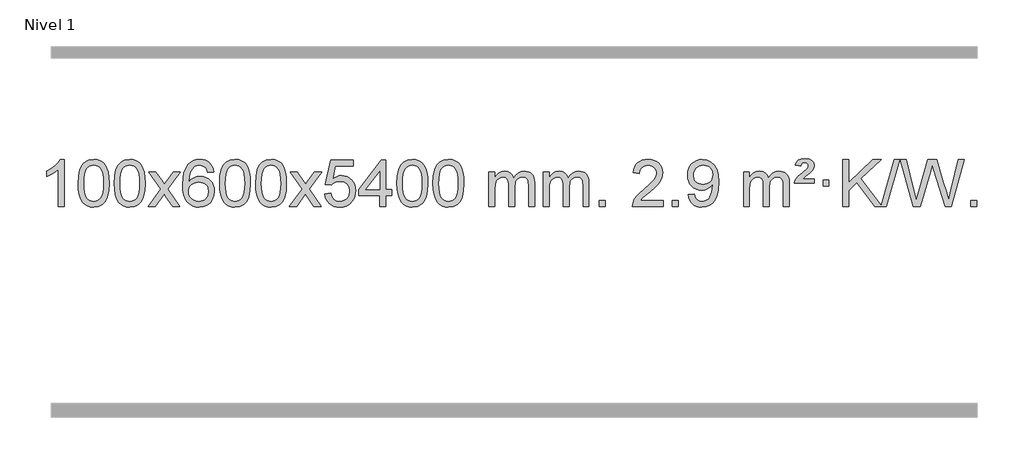
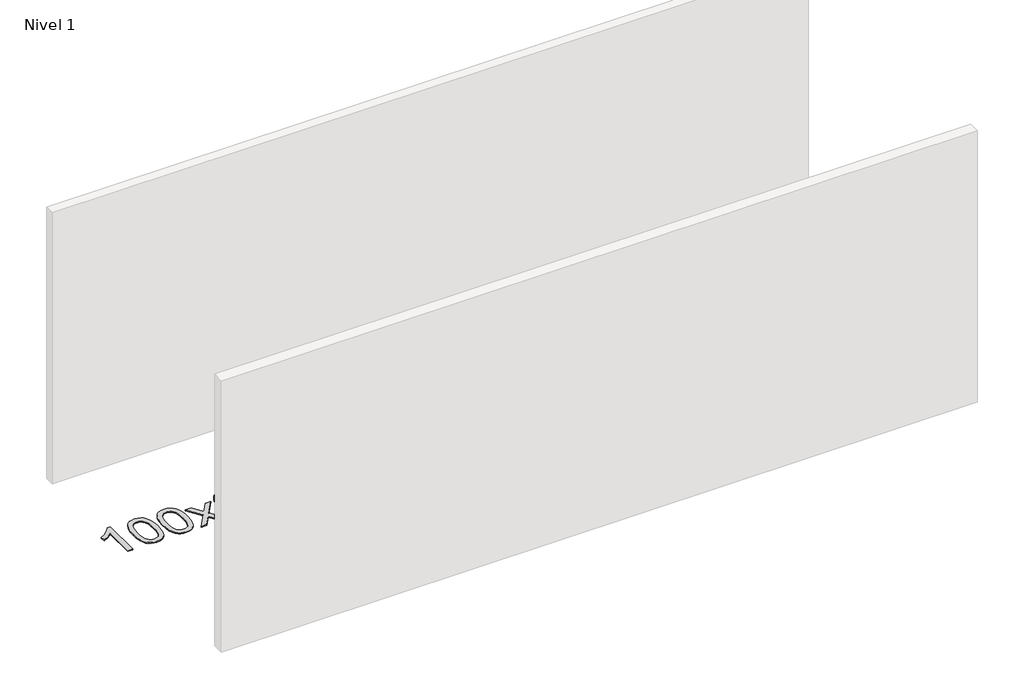
# One storey, part 4 of 16: 1 proxy.
"""IFC4 building model written with IfcOpenShell, lengths in millimetres."""

from ifc_helpers import new_model, si_unit, origin, origin_with_axes, place, context, project, spatial, polyline, outline, extrude, element, save

model = new_model("IFC4")

# Units and contexts
model_context = context("Model", 3, world=origin())
ifc_project = project(units=[si_unit("LENGTHUNIT", "METRE", prefix="MILLI")], contexts=[model_context])

# Site, building, storey
site = spatial("IfcSite", under=ifc_project)
building = spatial("IfcBuilding", under=site)
storey = spatial("IfcBuildingStorey", under=building, Name="Nivel 1", Elevation=0.0)

# Proxy
placement = place(None, origin())
element("IfcBuildingElementProxy", 1, Name="Texto de modelo 1", ObjectType="Texto de modelo 1", at=placement, inside=storey, context=model_context, shape_type="SweptSolid", body=[
    extrude(outline(polyline([(-12921.6378538, -9420.579453), (-12971.8660089, -9420.579453), (-12971.8660089, -9107.4382987), (-12992.8352826, -9124.3976587), (-13019.4454136, -9141.3324932), (-13072.3223191, -9166.6918254), (-13072.3223191, -9119.2105225), (-13032.8731065, -9097.7507395), (-12998.6968691, -9072.219729), (-12971.7556443, -9045.0700378), (-12954.0114694, -9018.7542124), (-12921.6378538, -9018.7542124), (-12921.6378538, -9420.579453)])), origin_with_axes(), (0.0, 0.0, 1.0), 10.0),
    extrude(outline(polyline([(-12802.3459855, -9222.9041943), (-12798.6549029, -9158.5861588), (-12787.5816548, -9107.2911459), (-12769.236606, -9068.2343407), (-12757.378543, -9053.0009605), (-12743.730121, -9040.6309284), (-12728.2453547, -9031.0598651), (-12710.8782588, -9024.2233914), (-12670.4970785, -9018.7542124), (-12639.5459399, -9021.991574), (-12611.832163, -9031.7036586), (-12588.6555973, -9047.5103217), (-12571.3160926, -9069.0314184), (-12558.2194935, -9096.0830078), (-12547.7716449, -9128.4811488), (-12540.9290398, -9169.6226186), (-12538.6481714, -9222.9041943), (-12542.3024659, -9286.8543477), (-12553.2653493, -9338.0267333), (-12571.5000336, -9377.1203266), (-12583.3305054, -9392.3996922), (-12596.9697304, -9404.8341036), (-12612.4728908, -9414.4695462), (-12629.8951689, -9421.3520052), (-12670.4970785, -9426.8579724), (-12698.1618045, -9424.4667394), (-12722.6872709, -9417.2930405), (-12744.0734775, -9405.3368757), (-12762.3204245, -9388.5982449), (-12779.8316074, -9358.3399508), (-12792.3395953, -9320.6381776), (-12799.844388, -9275.4929255), (-12802.3459855, -9222.9041943)]), holes=[polyline([(-12752.1178305, -9222.8060924), (-12750.6463025, -9266.4706195), (-12746.2317185, -9301.8148822), (-12738.8740786, -9328.8388804), (-12728.5733828, -9347.5426142), (-12716.1144459, -9360.2682656), (-12702.2820829, -9369.3580165), (-12687.0762937, -9374.8118671), (-12670.4970785, -9376.6298173), (-12653.9178632, -9374.8057357), (-12638.7120741, -9369.3334911), (-12624.8797111, -9360.2130833), (-12612.4207742, -9347.4445124), (-12602.1200783, -9328.7101217), (-12594.7624384, -9301.6922549), (-12590.3478545, -9266.3909118), (-12588.8763265, -9222.8060924), (-12590.2988035, -9180.2973278), (-12594.5662347, -9145.5753989), (-12601.6786199, -9118.6403055), (-12611.6359592, -9099.4920476), (-12623.8864297, -9086.1440625), (-12637.8782082, -9076.6097875), (-12653.6112949, -9070.8892225), (-12671.0856897, -9068.9823675), (-12687.5790658, -9070.6623619), (-12702.5273375, -9075.7023452), (-12715.9305049, -9084.1023175), (-12727.7885679, -9095.8622786), (-12738.4326203, -9116.708925), (-12746.0355148, -9144.8151094), (-12750.5972516, -9180.1808319), (-12752.1178305, -9222.8060924)])]), origin_with_axes(), (0.0, 0.0, 1.0), 10.0),
    extrude(outline(polyline([(-12494.6985357, -9222.9041943), (-12491.007453, -9158.5861588), (-12479.934205, -9107.2911459), (-12461.5891561, -9068.2343407), (-12449.7310932, -9053.0009605), (-12436.0826711, -9040.6309284), (-12420.5979048, -9031.0598651), (-12403.230809, -9024.2233914), (-12362.8496286, -9018.7542124), (-12331.8984901, -9021.991574), (-12304.1847131, -9031.7036586), (-12281.0081474, -9047.5103217), (-12263.6686427, -9069.0314184), (-12250.5720437, -9096.0830078), (-12240.1241951, -9128.4811488), (-12233.2815899, -9169.6226186), (-12231.0007216, -9222.9041943), (-12234.6550161, -9286.8543477), (-12245.6178995, -9338.0267333), (-12263.8525837, -9377.1203266), (-12275.6830556, -9392.3996922), (-12289.3222805, -9404.8341036), (-12304.825441, -9414.4695462), (-12322.2477191, -9421.3520052), (-12362.8496286, -9426.8579724), (-12390.5143547, -9424.4667394), (-12415.039821, -9417.2930405), (-12436.4260277, -9405.3368757), (-12454.6729746, -9388.5982449), (-12472.1841576, -9358.3399508), (-12484.6921454, -9320.6381776), (-12492.1969381, -9275.4929255), (-12494.6985357, -9222.9041943)]), holes=[polyline([(-12444.4703806, -9222.8060924), (-12442.9988527, -9266.4706195), (-12438.5842687, -9301.8148822), (-12431.2266288, -9328.8388804), (-12420.9259329, -9347.5426142), (-12408.466996, -9360.2682656), (-12394.634633, -9369.3580165), (-12379.4288439, -9374.8118671), (-12362.8496286, -9376.6298173), (-12346.2704134, -9374.8057357), (-12331.0646243, -9369.3334911), (-12317.2322612, -9360.2130833), (-12304.7733243, -9347.4445124), (-12294.4726285, -9328.7101217), (-12287.1149886, -9301.6922549), (-12282.7004046, -9266.3909118), (-12281.2288766, -9222.8060924), (-12282.6513537, -9180.2973278), (-12286.9187848, -9145.5753989), (-12294.0311701, -9118.6403055), (-12303.9885094, -9099.4920476), (-12316.2389799, -9086.1440625), (-12330.2307584, -9076.6097875), (-12345.9638451, -9070.8892225), (-12363.4382398, -9068.9823675), (-12379.931616, -9070.6623619), (-12394.8798877, -9075.7023452), (-12408.283055, -9084.1023175), (-12420.141118, -9095.8622786), (-12430.7851704, -9116.708925), (-12438.388065, -9144.8151094), (-12442.9498017, -9180.1808319), (-12444.4703806, -9222.8060924)])]), origin_with_axes(), (0.0, 0.0, 1.0), 10.0),
    extrude(outline(polyline([(-12205.886644, -9420.579453), (-12098.5632033, -9272.2494325), (-12199.6081246, -9125.4890419), (-12139.1773756, -9125.4890419), (-12090.4207485, -9196.122385), (-12067.6611157, -9229.4770192), (-12047.9426408, -9202.2047007), (-11992.416985, -9125.4890419), (-11931.9862359, -9125.4890419), (-12038.1324542, -9272.2494325), (-11935.9103105, -9420.579453), (-11996.3410596, -9420.579453), (-12057.8509292, -9331.4048574), (-12069.1326437, -9315.1199477), (-12145.455895, -9420.579453), (-12205.886644, -9420.579453)])), origin_with_axes(), (0.0, 0.0, 1.0), 10.0),
    extrude(outline(polyline([(-11647.0984188, -9125.4890419), (-11697.3265739, -9131.7675613), (-11705.4199778, -9106.874213), (-11716.3583358, -9089.8780648), (-11739.142494, -9074.2062918), (-11766.6845927, -9068.9823675), (-11790.0328367, -9072.0235253), (-11812.0076545, -9081.1469988), (-11830.8800009, -9100.3627017), (-11846.2942565, -9126.8134171), (-11856.7053169, -9164.227016), (-11860.5680779, -9216.3313693), (-11840.4204073, -9192.8237098), (-11816.2750857, -9176.2567573), (-11789.4810137, -9166.434308), (-11761.387092, -9163.1601582), (-11737.2540331, -9165.398107), (-11714.9849097, -9172.1119534), (-11694.5797217, -9183.3016975), (-11676.0384691, -9198.9673391), (-11660.6303449, -9218.1769106), (-11649.6245419, -9239.9984443), (-11643.02106, -9264.4319401), (-11640.8198994, -9291.4773982), (-11644.9647033, -9327.4439945), (-11657.3991147, -9360.786366), (-11677.0930642, -9389.0642287), (-11703.0164821, -9409.8372987), (-11733.9921461, -9422.602804), (-11768.8428338, -9426.8579724), (-11798.7853625, -9424.0375437), (-11825.8277548, -9415.5762579), (-11849.9700107, -9401.4741147), (-11871.2121303, -9381.7311143), (-11888.5301752, -9355.5133908), (-11900.9002073, -9321.9870783), (-11908.3222266, -9281.1521768), (-11910.796233, -9233.0086864), (-11908.0493807, -9179.0342663), (-11899.808824, -9132.9693092), (-11886.0745629, -9094.8138149), (-11866.8465973, -9064.5677835), (-11846.0060823, -9044.5243462), (-11821.8423665, -9030.2076052), (-11794.3554501, -9021.6175606), (-11763.545333, -9018.7542124), (-11740.4116869, -9020.5261773), (-11719.47307, -9025.8420722), (-11700.7294824, -9034.7018969), (-11684.1809239, -9047.1056515), (-11670.2749845, -9062.6364031), (-11659.4592539, -9080.8772186), (-11651.733732, -9101.8280983), (-11647.0984188, -9125.4890419)]), holes=[polyline([(-11860.5680779, -9290.6925832), (-11857.6618101, -9312.9494439), (-11848.9430068, -9334.2007605), (-11835.4049494, -9352.472233), (-11818.0409193, -9365.7895612), (-11797.0839083, -9373.9197533), (-11772.7669084, -9376.6298173), (-11739.6207406, -9371.0134855), (-11725.7056041, -9363.9930708), (-11713.5624326, -9354.1644901), (-11703.7123922, -9341.9262824), (-11696.676649, -9327.6769865), (-11691.0480545, -9293.1451299), (-11696.6030726, -9259.9989621), (-11703.5468453, -9246.3781312), (-11713.268127, -9234.725469), (-11725.4480867, -9225.3904634), (-11739.7678934, -9218.7226022), (-11774.8270476, -9213.3883133), (-11807.9241644, -9218.7226022), (-11835.6011532, -9234.725469), (-11846.5241827, -9246.2248471), (-11854.3263467, -9259.3858254), (-11859.0076451, -9274.2084042), (-11860.5680779, -9290.6925832)])]), origin_with_axes(), (0.0, 0.0, 1.0), 10.0),
    extrude(outline(polyline([(-11596.8702638, -9222.9041943), (-11593.1791811, -9158.5861588), (-11582.105933, -9107.2911459), (-11563.7608842, -9068.2343407), (-11551.9028212, -9053.0009605), (-11538.2543992, -9040.6309284), (-11522.7696329, -9031.0598651), (-11505.402537, -9024.2233914), (-11465.0213567, -9018.7542124), (-11434.0702182, -9021.991574), (-11406.3564412, -9031.7036586), (-11383.1798755, -9047.5103217), (-11365.8403708, -9069.0314184), (-11352.7437718, -9096.0830078), (-11342.2959231, -9128.4811488), (-11335.453318, -9169.6226186), (-11333.1724496, -9222.9041943), (-11336.8267441, -9286.8543477), (-11347.7896275, -9338.0267333), (-11366.0243118, -9377.1203266), (-11377.8547836, -9392.3996922), (-11391.4940086, -9404.8341036), (-11406.997169, -9414.4695462), (-11424.4194471, -9421.3520052), (-11465.0213567, -9426.8579724), (-11492.6860827, -9424.4667394), (-11517.2115491, -9417.2930405), (-11538.5977557, -9405.3368757), (-11556.8447027, -9388.5982449), (-11574.3558856, -9358.3399508), (-11586.8638735, -9320.6381776), (-11594.3686662, -9275.4929255), (-11596.8702638, -9222.9041943)]), holes=[polyline([(-11546.6421087, -9222.8060924), (-11545.1705807, -9266.4706195), (-11540.7559968, -9301.8148822), (-11533.3983568, -9328.8388804), (-11523.097661, -9347.5426142), (-11510.6387241, -9360.2682656), (-11496.8063611, -9369.3580165), (-11481.6005719, -9374.8118671), (-11465.0213567, -9376.6298173), (-11448.4421414, -9374.8057357), (-11433.2363523, -9369.3334911), (-11419.4039893, -9360.2130833), (-11406.9450524, -9347.4445124), (-11396.6443565, -9328.7101217), (-11389.2867166, -9301.6922549), (-11384.8721327, -9266.3909118), (-11383.4006047, -9222.8060924), (-11384.8230817, -9180.2973278), (-11389.0905129, -9145.5753989), (-11396.2028981, -9118.6403055), (-11406.1602375, -9099.4920476), (-11418.4107079, -9086.1440625), (-11432.4024864, -9076.6097875), (-11448.1355731, -9070.8892225), (-11465.6099679, -9068.9823675), (-11482.103344, -9070.6623619), (-11497.0516157, -9075.7023452), (-11510.4547831, -9084.1023175), (-11522.3128461, -9095.8622786), (-11532.9568985, -9116.708925), (-11540.559793, -9144.8151094), (-11545.1215298, -9180.1808319), (-11546.6421087, -9222.8060924)])]), origin_with_axes(), (0.0, 0.0, 1.0), 10.0),
    extrude(outline(polyline([(-11289.2228139, -9222.9041943), (-11285.5317312, -9158.5861588), (-11274.4584832, -9107.2911459), (-11256.1134344, -9068.2343407), (-11244.2553714, -9053.0009605), (-11230.6069494, -9040.6309284), (-11215.122183, -9031.0598651), (-11197.7550872, -9024.2233914), (-11157.3739068, -9018.7542124), (-11126.4227683, -9021.991574), (-11098.7089913, -9031.7036586), (-11075.5324257, -9047.5103217), (-11058.1929209, -9069.0314184), (-11045.0963219, -9096.0830078), (-11034.6484733, -9128.4811488), (-11027.8058681, -9169.6226186), (-11025.5249998, -9222.9041943), (-11029.1792943, -9286.8543477), (-11040.1421777, -9338.0267333), (-11058.3768619, -9377.1203266), (-11070.2073338, -9392.3996922), (-11083.8465587, -9404.8341036), (-11099.3497192, -9414.4695462), (-11116.7719973, -9421.3520052), (-11157.3739068, -9426.8579724), (-11185.0386329, -9424.4667394), (-11209.5640992, -9417.2930405), (-11230.9503059, -9405.3368757), (-11249.1972528, -9388.5982449), (-11266.7084358, -9358.3399508), (-11279.2164236, -9320.6381776), (-11286.7212164, -9275.4929255), (-11289.2228139, -9222.9041943)]), holes=[polyline([(-11238.9946588, -9222.8060924), (-11237.5231309, -9266.4706195), (-11233.1085469, -9301.8148822), (-11225.750907, -9328.8388804), (-11215.4502112, -9347.5426142), (-11202.9912742, -9360.2682656), (-11189.1589112, -9369.3580165), (-11173.9531221, -9374.8118671), (-11157.3739068, -9376.6298173), (-11140.7946916, -9374.8057357), (-11125.5889025, -9369.3334911), (-11111.7565394, -9360.2130833), (-11099.2976025, -9347.4445124), (-11088.9969067, -9328.7101217), (-11081.6392668, -9301.6922549), (-11077.2246828, -9266.3909118), (-11075.7531548, -9222.8060924), (-11077.1756319, -9180.2973278), (-11081.443063, -9145.5753989), (-11088.5554483, -9118.6403055), (-11098.5127876, -9099.4920476), (-11110.7632581, -9086.1440625), (-11124.7550366, -9076.6097875), (-11140.4881233, -9070.8892225), (-11157.962518, -9068.9823675), (-11174.4558942, -9070.6623619), (-11189.4041659, -9075.7023452), (-11202.8073333, -9084.1023175), (-11214.6653962, -9095.8622786), (-11225.3094486, -9116.708925), (-11232.9123432, -9144.8151094), (-11237.4740799, -9180.1808319), (-11238.9946588, -9222.8060924)])]), origin_with_axes(), (0.0, 0.0, 1.0), 10.0),
    extrude(outline(polyline([(-11000.4109222, -9420.579453), (-10893.0874815, -9272.2494325), (-10994.1324029, -9125.4890419), (-10933.7016538, -9125.4890419), (-10884.9450267, -9196.122385), (-10862.1853939, -9229.4770192), (-10842.466919, -9202.2047007), (-10786.9412632, -9125.4890419), (-10726.5105141, -9125.4890419), (-10832.6567324, -9272.2494325), (-10730.4345887, -9420.579453), (-10790.8653378, -9420.579453), (-10852.3752074, -9331.4048574), (-10863.6569219, -9315.1199477), (-10939.9801732, -9420.579453), (-11000.4109222, -9420.579453)])), origin_with_axes(), (0.0, 0.0, 1.0), 10.0),
    extrude(outline(polyline([(-10699.0419918, -9313.8446235), (-10648.8138367, -9307.5661041), (-10639.5922614, -9337.7201649), (-10623.5035554, -9359.3148381), (-10600.6212953, -9372.3010725), (-10571.0190575, -9376.6298173), (-10551.8891937, -9375.1245668), (-10535.0156729, -9370.6088153), (-10520.3984949, -9363.0825628), (-10508.0376599, -9352.5458094), (-10498.2090793, -9339.519721), (-10491.1886645, -9324.5254641), (-10485.5723327, -9288.6324441), (-10490.8330453, -9254.8363514), (-10497.4089359, -9240.9181493), (-10506.6151828, -9228.9865099), (-10518.4824429, -9219.4154467), (-10533.0413728, -9212.5789729), (-10570.2342425, -9207.1097939), (-10594.6002934, -9209.2925604), (-10614.331031, -9215.8408599), (-10630.0886432, -9225.8717757), (-10642.5353173, -9238.5023908), (-10692.7634724, -9232.2238715), (-10648.8138367, -9025.0327318), (-10454.1797358, -9025.0327318), (-10454.1797358, -9075.2608869), (-10608.1996644, -9075.2608869), (-10629.683973, -9185.919791), (-10611.9581922, -9173.2155994), (-10593.8032157, -9164.1411769), (-10575.2190436, -9158.6965234), (-10556.2056758, -9156.8816388), (-10531.7445888, -9159.1318504), (-10509.2761959, -9165.882485), (-10488.8004972, -9177.1335427), (-10470.3174927, -9192.8850234), (-10455.0166673, -9212.1743027), (-10444.0875064, -9234.038756), (-10437.5300098, -9258.4783832), (-10435.3441776, -9285.4931844), (-10437.3123463, -9311.5147042), (-10443.2168523, -9335.7213394), (-10453.0576957, -9358.1130902), (-10466.8348764, -9378.6899565), (-10487.7060483, -9399.7634634), (-10512.0598364, -9414.8159684), (-10539.8962407, -9423.8474714), (-10571.2152612, -9426.8579724), (-10597.1356134, -9424.9235262), (-10620.5482368, -9419.1201877), (-10641.4531311, -9409.447957), (-10659.8502966, -9395.9068338), (-10675.1572533, -9379.1712688), (-10686.7915213, -9359.915712), (-10694.7531009, -9338.1401636), (-10699.0419918, -9313.8446235)])), origin_with_axes(), (0.0, 0.0, 1.0), 10.0),
    extrude(outline(polyline([(-10228.153038, -9420.579453), (-10228.153038, -9326.4016622), (-10410.2301001, -9326.4016622), (-10410.2301001, -9276.1735072), (-10215.5959992, -9025.0327318), (-10177.9248829, -9025.0327318), (-10177.9248829, -9276.1735072), (-10127.6967278, -9276.1735072), (-10127.6967278, -9326.4016622), (-10177.9248829, -9326.4016622), (-10177.9248829, -9420.579453), (-10228.153038, -9420.579453)]), holes=[polyline([(-10228.153038, -9276.1735072), (-10228.153038, -9120.9763561), (-10348.4259249, -9276.1735072), (-10228.153038, -9276.1735072)])]), origin_with_axes(), (0.0, 0.0, 1.0), 10.0),
    extrude(outline(polyline([(-10083.7470921, -9222.9041943), (-10080.0560094, -9158.5861588), (-10068.9827614, -9107.2911459), (-10050.6377126, -9068.2343407), (-10038.7796496, -9053.0009605), (-10025.1312276, -9040.6309284), (-10009.6464612, -9031.0598651), (-9992.2793654, -9024.2233914), (-9951.8981851, -9018.7542124), (-9920.9470465, -9021.991574), (-9893.2332696, -9031.7036586), (-9870.0567039, -9047.5103217), (-9852.7171992, -9069.0314184), (-9839.6206001, -9096.0830078), (-9829.1727515, -9128.4811488), (-9822.3301463, -9169.6226186), (-9820.049278, -9222.9041943), (-9823.7035725, -9286.8543477), (-9834.6664559, -9338.0267333), (-9852.9011401, -9377.1203266), (-9864.731612, -9392.3996922), (-9878.3708369, -9404.8341036), (-9893.8739974, -9414.4695462), (-9911.2962755, -9421.3520052), (-9951.8981851, -9426.8579724), (-9979.5629111, -9424.4667394), (-10004.0883774, -9417.2930405), (-10025.4745841, -9405.3368757), (-10043.721531, -9388.5982449), (-10061.232714, -9358.3399508), (-10073.7407019, -9320.6381776), (-10081.2454946, -9275.4929255), (-10083.7470921, -9222.9041943)]), holes=[polyline([(-10033.518937, -9222.8060924), (-10032.0474091, -9266.4706195), (-10027.6328251, -9301.8148822), (-10020.2751852, -9328.8388804), (-10009.9744894, -9347.5426142), (-9997.5155525, -9360.2682656), (-9983.6831894, -9369.3580165), (-9968.4774003, -9374.8118671), (-9951.8981851, -9376.6298173), (-9935.3189698, -9374.8057357), (-9920.1131807, -9369.3334911), (-9906.2808176, -9360.2130833), (-9893.8218807, -9347.4445124), (-9883.5211849, -9328.7101217), (-9876.163545, -9301.6922549), (-9871.748961, -9266.3909118), (-9870.2774331, -9222.8060924), (-9871.6999101, -9180.2973278), (-9875.9673412, -9145.5753989), (-9883.0797265, -9118.6403055), (-9893.0370658, -9099.4920476), (-9905.2875363, -9086.1440625), (-9919.2793148, -9076.6097875), (-9935.0124015, -9070.8892225), (-9952.4867962, -9068.9823675), (-9968.9801724, -9070.6623619), (-9983.9284441, -9075.7023452), (-9997.3316115, -9084.1023175), (-10009.1896744, -9095.8622786), (-10019.8337268, -9116.708925), (-10027.4366214, -9144.8151094), (-10031.9983581, -9180.1808319), (-10033.518937, -9222.8060924)])]), origin_with_axes(), (0.0, 0.0, 1.0), 10.0),
    extrude(outline(polyline([(-9776.0996423, -9222.9041943), (-9772.4085596, -9158.5861588), (-9761.3353115, -9107.2911459), (-9742.9902627, -9068.2343407), (-9731.1321997, -9053.0009605), (-9717.4837777, -9040.6309284), (-9701.9990114, -9031.0598651), (-9684.6319156, -9024.2233914), (-9644.2507352, -9018.7542124), (-9613.2995967, -9021.991574), (-9585.5858197, -9031.7036586), (-9562.409254, -9047.5103217), (-9545.0697493, -9069.0314184), (-9531.9731503, -9096.0830078), (-9521.5253016, -9128.4811488), (-9514.6826965, -9169.6226186), (-9512.4018281, -9222.9041943), (-9516.0561226, -9286.8543477), (-9527.0190061, -9338.0267333), (-9545.2536903, -9377.1203266), (-9557.0841621, -9392.3996922), (-9570.7233871, -9404.8341036), (-9586.2265475, -9414.4695462), (-9603.6488257, -9421.3520052), (-9644.2507352, -9426.8579724), (-9671.9154613, -9424.4667394), (-9696.4409276, -9417.2930405), (-9717.8271343, -9405.3368757), (-9736.0740812, -9388.5982449), (-9753.5852642, -9358.3399508), (-9766.093252, -9320.6381776), (-9773.5980447, -9275.4929255), (-9776.0996423, -9222.9041943)]), holes=[polyline([(-9725.8714872, -9222.8060924), (-9724.3999592, -9266.4706195), (-9719.9853753, -9301.8148822), (-9712.6277354, -9328.8388804), (-9702.3270395, -9347.5426142), (-9689.8681026, -9360.2682656), (-9676.0357396, -9369.3580165), (-9660.8299505, -9374.8118671), (-9644.2507352, -9376.6298173), (-9627.67152, -9374.8057357), (-9612.4657308, -9369.3334911), (-9598.6333678, -9360.2130833), (-9586.1744309, -9347.4445124), (-9575.873735, -9328.7101217), (-9568.5160951, -9301.6922549), (-9564.1015112, -9266.3909118), (-9562.6299832, -9222.8060924), (-9564.0524603, -9180.2973278), (-9568.3198914, -9145.5753989), (-9575.4322767, -9118.6403055), (-9585.389616, -9099.4920476), (-9597.6400864, -9086.1440625), (-9611.631865, -9076.6097875), (-9627.3649516, -9070.8892225), (-9644.8393464, -9068.9823675), (-9661.3327225, -9070.6623619), (-9676.2809943, -9075.7023452), (-9689.6841616, -9084.1023175), (-9701.5422246, -9095.8622786), (-9712.186277, -9116.708925), (-9719.7891716, -9144.8151094), (-9724.3509083, -9180.1808319), (-9725.8714872, -9222.8060924)])]), origin_with_axes(), (0.0, 0.0, 1.0), 10.0),
    extrude(outline(polyline([(-9298.9321691, -9420.579453), (-9298.9321691, -9125.4890419), (-9248.704014, -9125.4890419), (-9248.704014, -9174.0494653), (-9233.5963267, -9151.7435537), (-9214.1721574, -9134.2691589), (-9191.0936936, -9122.9751816), (-9165.0231228, -9119.2105225), (-9137.0886167, -9123.048758), (-9114.6968659, -9134.5634645), (-9097.9704978, -9152.9943524), (-9087.0321399, -9177.5811324), (-9068.7238792, -9152.0439906), (-9047.8404446, -9133.803175), (-9024.3818361, -9122.8586857), (-8998.3480536, -9119.2105225), (-8978.2402368, -9120.7280358), (-8960.5910981, -9125.2805755), (-8945.4006374, -9132.8681416), (-8932.6688547, -9143.4907342), (-8922.6042164, -9157.2709806), (-8915.4151891, -9174.3315082), (-8911.1017727, -9194.6723168), (-8909.6639672, -9218.2934066), (-8909.6639672, -9420.579453), (-8959.8921223, -9420.579453), (-8959.8921223, -9239.875817), (-8961.057082, -9214.8230531), (-8964.5519609, -9197.9372695), (-8971.1002604, -9186.3735121), (-8981.4254818, -9177.2868268), (-8994.7060218, -9171.4007149), (-9010.1202774, -9169.4386776), (-9037.3312823, -9174.4663982), (-9059.5145666, -9189.54956), (-9068.1199396, -9201.1194488), (-9074.2666346, -9215.7182326), (-9079.1839906, -9254.0024856), (-9079.1839906, -9420.579453), (-9129.4121457, -9420.579453), (-9129.4121457, -9234.2840106), (-9132.3184135, -9205.8835206), (-9141.0372167, -9185.6254854), (-9156.3778959, -9173.4853796), (-9179.1497914, -9169.4386776), (-9198.5003844, -9172.1364789), (-9216.3303984, -9180.2298828), (-9231.0456782, -9193.5226856), (-9241.0520685, -9211.8186835), (-9246.7910276, -9237.2025411), (-9248.704014, -9271.7589232), (-9248.704014, -9420.579453), (-9298.9321691, -9420.579453)])), origin_with_axes(), (0.0, 0.0, 1.0), 10.0),
    extrude(outline(polyline([(-8834.3217346, -9420.579453), (-8834.3217346, -9125.4890419), (-8784.0935796, -9125.4890419), (-8784.0935796, -9174.0494653), (-8768.9858923, -9151.7435537), (-8749.5617229, -9134.2691589), (-8726.4832591, -9122.9751816), (-8700.4126884, -9119.2105225), (-8672.4781822, -9123.048758), (-8650.0864315, -9134.5634645), (-8633.3600634, -9152.9943524), (-8622.4217054, -9177.5811324), (-8604.1134448, -9152.0439906), (-8583.2300102, -9133.803175), (-8559.7714016, -9122.8586857), (-8533.7376191, -9119.2105225), (-8513.6298024, -9120.7280358), (-8495.9806637, -9125.2805755), (-8480.790203, -9132.8681416), (-8468.0584202, -9143.4907342), (-8457.993782, -9157.2709806), (-8450.8047547, -9174.3315082), (-8446.4913383, -9194.6723168), (-8445.0535328, -9218.2934066), (-8445.0535328, -9420.579453), (-8495.2816879, -9420.579453), (-8495.2816879, -9239.875817), (-8496.4466475, -9214.8230531), (-8499.9415265, -9197.9372695), (-8506.489826, -9186.3735121), (-8516.8150473, -9177.2868268), (-8530.0955874, -9171.4007149), (-8545.509843, -9169.4386776), (-8572.7208479, -9174.4663982), (-8594.9041322, -9189.54956), (-8603.5095052, -9201.1194488), (-8609.6562002, -9215.7182326), (-8614.5735562, -9254.0024856), (-8614.5735562, -9420.579453), (-8664.8017113, -9420.579453), (-8664.8017113, -9234.2840106), (-8667.707979, -9205.8835206), (-8676.4267823, -9185.6254854), (-8691.7674615, -9173.4853796), (-8714.539357, -9169.4386776), (-8733.88995, -9172.1364789), (-8751.719964, -9180.2298828), (-8766.4352438, -9193.5226856), (-8776.4416341, -9211.8186835), (-8782.1805932, -9237.2025411), (-8784.0935796, -9271.7589232), (-8784.0935796, -9420.579453), (-8834.3217346, -9420.579453)])), origin_with_axes(), (0.0, 0.0, 1.0), 10.0),
    extrude(outline(polyline([(-8357.1542614, -9420.579453), (-8357.1542614, -9370.3512979), (-8306.9261064, -9370.3512979), (-8306.9261064, -9420.579453), (-8357.1542614, -9420.579453)])), origin_with_axes(), (0.0, 0.0, 1.0), 10.0),
    extrude(outline(polyline([(-7810.923075, -9370.3512979), (-7810.923075, -9420.579453), (-8074.6208891, -9420.579453), (-8073.5172431, -9402.8965918), (-8069.2252865, -9385.9494945), (-8056.839926, -9358.8856424), (-8038.7156064, -9332.6311307), (-8012.4978829, -9305.1503456), (-7975.8323107, -9274.4076736), (-7921.6310301, -9226.2641831), (-7889.1102617, -9190.7267824), (-7872.8498775, -9161.884834), (-7867.4297494, -9133.8277005), (-7872.5433092, -9108.6768347), (-7887.8839884, -9087.7688747), (-7911.4652243, -9073.6789943), (-7941.3004541, -9068.9823675), (-7972.6317373, -9073.5686297), (-7996.9732627, -9087.3274163), (-8012.6818239, -9109.1796068), (-8018.1142147, -9138.0460807), (-8068.3423697, -9131.7675613), (-8064.022822, -9105.838012), (-8056.1654757, -9083.1826125), (-8044.7703309, -9063.8013627), (-8029.8373876, -9047.6942627), (-8011.7100023, -9035.0329907), (-7990.7315315, -9025.989225), (-7966.9019753, -9020.5629655), (-7940.2213336, -9018.7542124), (-7913.3015686, -9020.7653006), (-7889.3432536, -9026.7985654), (-7868.3463888, -9036.8540066), (-7850.3109739, -9050.9316242), (-7835.8256204, -9067.9890861), (-7825.4789393, -9086.9840598), (-7819.2709306, -9107.9165453), (-7817.2015944, -9130.7865427), (-7819.4334118, -9154.8092369), (-7826.1288641, -9178.4149983), (-7838.0114526, -9202.4254299), (-7855.8046784, -9227.6621347), (-7884.1683802, -9257.7916701), (-7927.7623967, -9296.4805933), (-7985.5443954, -9344.795762), (-8008.2059263, -9370.3512979), (-7810.923075, -9370.3512979)])), origin_with_axes(), (0.0, 0.0, 1.0), 10.0),
    extrude(outline(polyline([(-7735.5808424, -9420.579453), (-7735.5808424, -9370.3512979), (-7685.3526873, -9370.3512979), (-7685.3526873, -9420.579453), (-7735.5808424, -9420.579453)])), origin_with_axes(), (0.0, 0.0, 1.0), 10.0),
    extrude(outline(polyline([(-7597.4534159, -9320.1231428), (-7547.2252608, -9313.8446235), (-7538.6413476, -9342.3554781), (-7524.6618318, -9361.7673847), (-7505.6300699, -9372.9142092), (-7481.8894185, -9376.6298173), (-7460.589051, -9374.2385843), (-7441.2261953, -9367.0648854), (-7425.1374894, -9355.8935355), (-7413.6595711, -9341.5093495), (-7397.2275087, -9297.8540194), (-7391.7828551, -9269.4535294), (-7389.9679706, -9239.5815114), (-7390.2622762, -9229.7713248), (-7407.6630946, -9251.0103787), (-7430.4349901, -9267.8348486), (-7456.9347565, -9278.7977321), (-7485.5191875, -9282.4520265), (-7509.3794006, -9280.2202091), (-7531.3204959, -9273.5247568), (-7551.3424735, -9262.3656696), (-7569.4453334, -9246.7429475), (-7584.4457217, -9227.4720624), (-7595.1602848, -9205.3684858), (-7601.5890227, -9180.4322179), (-7603.7319353, -9152.6632586), (-7601.4847895, -9123.968463), (-7594.7433519, -9098.2167234), (-7583.5076226, -9075.4080397), (-7567.7776016, -9055.5424119), (-7548.6630663, -9039.4475746), (-7527.273794, -9027.9512623), (-7503.6097846, -9021.0534749), (-7477.6710383, -9018.7542124), (-7440.2083884, -9024.0026622), (-7406.1057275, -9039.7480116), (-7377.5826101, -9065.2054457), (-7356.8585911, -9099.5901495), (-7344.2402386, -9147.1205032), (-7340.0341212, -9212.0148872), (-7344.2279759, -9280.821083), (-7356.8095401, -9334.0045568), (-7377.6684493, -9373.9688042), (-7391.1605214, -9389.8950289), (-7406.6943387, -9403.117321), (-7423.9572013, -9413.503856), (-7442.6364096, -9420.9228095), (-7484.2438633, -9426.8579724), (-7506.8011609, -9425.1074672), (-7527.1879548, -9419.8559517), (-7545.404245, -9411.1034259), (-7561.4500313, -9398.8498898), (-7574.9206437, -9383.4264372), (-7585.4114119, -9365.1641618), (-7592.922336, -9344.0630637), (-7597.4534159, -9320.1231428)]), holes=[polyline([(-7390.2622762, -9151.4860363), (-7395.6824043, -9117.444689), (-7402.4575644, -9103.3670713), (-7411.9427885, -9091.2514909), (-7423.6720928, -9081.5087494), (-7437.1794934, -9074.5496483), (-7469.5285835, -9068.9823675), (-7487.1378683, -9070.4814866), (-7503.0794214, -9074.978844), (-7517.3532428, -9082.4744396), (-7529.9593325, -9092.9682736), (-7540.2600284, -9105.8472091), (-7547.6176683, -9120.4981095), (-7552.0322522, -9136.9209749), (-7553.5037802, -9155.1158053), (-7547.9364994, -9186.1527829), (-7540.9773983, -9199.2708417), (-7531.2346568, -9210.7886139), (-7519.112945, -9220.1665391), (-7505.0169333, -9226.8650571), (-7470.9020096, -9232.2238715), (-7438.8104369, -9226.8650571), (-7412.9728581, -9210.7886139), (-7403.0369785, -9199.0439812), (-7395.9399217, -9185.2453407), (-7390.2622762, -9151.4860363)])]), origin_with_axes(), (0.0, 0.0, 1.0), 10.0),
    extrude(outline(polyline([(-7126.5644621, -9420.579453), (-7126.5644621, -9125.4890419), (-7076.336307, -9125.4890419), (-7076.336307, -9174.0494653), (-7061.2286197, -9151.7435537), (-7041.8044504, -9134.2691589), (-7018.7259866, -9122.9751816), (-6992.6554158, -9119.2105225), (-6964.7209097, -9123.048758), (-6942.3291589, -9134.5634645), (-6925.6027909, -9152.9943524), (-6914.6644329, -9177.5811324), (-6896.3561722, -9152.0439906), (-6875.4727377, -9133.803175), (-6852.0141291, -9122.8586857), (-6825.9803466, -9119.2105225), (-6805.8725298, -9120.7280358), (-6788.2233911, -9125.2805755), (-6773.0329304, -9132.8681416), (-6760.3011477, -9143.4907342), (-6750.2365094, -9157.2709806), (-6743.0474821, -9174.3315082), (-6738.7340657, -9194.6723168), (-6737.2962603, -9218.2934066), (-6737.2962603, -9420.579453), (-6787.5244153, -9420.579453), (-6787.5244153, -9239.875817), (-6788.689375, -9214.8230531), (-6792.1842539, -9197.9372695), (-6798.7325535, -9186.3735121), (-6809.0577748, -9177.2868268), (-6822.3383148, -9171.4007149), (-6837.7525704, -9169.4386776), (-6864.9635753, -9174.4663982), (-6887.1468596, -9189.54956), (-6895.7522326, -9201.1194488), (-6901.8989276, -9215.7182326), (-6906.8162836, -9254.0024856), (-6906.8162836, -9420.579453), (-6957.0444387, -9420.579453), (-6957.0444387, -9234.2840106), (-6959.9507065, -9205.8835206), (-6968.6695098, -9185.6254854), (-6984.010189, -9173.4853796), (-7006.7820845, -9169.4386776), (-7026.1326774, -9172.1364789), (-7043.9626914, -9180.2298828), (-7058.6779713, -9193.5226856), (-7068.6843615, -9211.8186835), (-7074.4233206, -9237.2025411), (-7076.336307, -9271.7589232), (-7076.336307, -9420.579453), (-7126.5644621, -9420.579453)])), origin_with_axes(), (0.0, 0.0, 1.0), 10.0),
    extrude(outline(polyline([(-6693.3466246, -9219.6668327), (-6689.5206518, -9203.8479069), (-6681.1819933, -9187.9799302), (-6659.6731593, -9162.8413272), (-6627.7164766, -9135.1030247), (-6583.5706372, -9097.726214), (-6576.4337265, -9086.1992448), (-6574.0547563, -9074.3779701), (-6575.9432172, -9062.2869152), (-6581.6085999, -9052.5012541), (-6590.977328, -9046.026531), (-6603.9758252, -9043.8682899), (-6616.4102366, -9045.4869707), (-6625.26393, -9050.343013), (-6631.6896022, -9059.8098431), (-6636.8399501, -9075.2608869), (-6687.0681052, -9068.9823675), (-6676.2278491, -9043.7701881), (-6659.5995829, -9026.2099542), (-6635.834406, -9015.9092583), (-6603.5834178, -9012.475693), (-6567.8007624, -9016.6082341), (-6543.0545668, -9029.0058573), (-6528.6335926, -9047.3386434), (-6523.8266012, -9069.2766731), (-6527.9223541, -9092.1834586), (-6540.2096127, -9113.8149199), (-6560.737428, -9133.6314968), (-6597.2067965, -9161.6886303), (-6622.8113834, -9188.2742358), (-6523.8266012, -9188.2742358), (-6523.8266012, -9219.6668327), (-6693.3466246, -9219.6668327)])), origin_with_axes(), (0.0, 0.0, 1.0), 10.0),
    extrude(outline(polyline([(-6448.4843686, -9244.7809102), (-6448.4843686, -9194.5527552), (-6398.2562135, -9194.5527552), (-6398.2562135, -9244.7809102), (-6448.4843686, -9244.7809102)])), origin_with_axes(), (0.0, 0.0, 1.0), 10.0),
    extrude(outline(polyline([(-6007.6145856, -9420.579453), (-6161.045903, -9217.9009991), (-6228.7361901, -9282.4520265), (-6228.7361901, -9420.579453), (-6278.9643452, -9420.579453), (-6278.9643452, -9018.7542124), (-6228.7361901, -9018.7542124), (-6228.7361901, -9215.4484525), (-6022.7222728, -9018.7542124), (-5952.4813372, -9018.7542124), (-6125.4349259, -9183.9577537), (-5950.781316, -9414.5349332), (-5839.4679883, -9018.7542124), (-5794.1449265, -9018.7542124), (-5907.1582754, -9420.579453), (-5946.2028178, -9420.579453), (-5952.4813372, -9420.579453), (-6007.6145856, -9420.579453)])), origin_with_axes(), (0.0, 0.0, 1.0), 10.0),
    extrude(outline(polyline([(-5679.6600496, -9420.579453), (-5789.2398332, -9018.7542124), (-5737.4420483, -9018.7542124), (-5673.8720395, -9282.844434), (-5654.2516665, -9364.3670841), (-5633.2578673, -9292.2622131), (-5553.5991526, -9018.7542124), (-5478.943633, -9018.7542124), (-5421.0635325, -9217.0180823), (-5396.268286, -9290.5944814), (-5377.9968136, -9364.3670841), (-5358.9650517, -9285.1988788), (-5294.8064317, -9018.7542124), (-5243.0086468, -9018.7542124), (-5352.6865323, -9420.579453), (-5406.3482526, -9420.579453), (-5502.6842845, -9110.5775584), (-5516.12424, -9067.3146358), (-5531.2319273, -9119.4067263), (-5619.0330968, -9420.579453), (-5679.6600496, -9420.579453)])), origin_with_axes(), (0.0, 0.0, 1.0), 10.0),
    extrude(outline(polyline([(-5186.5019723, -9420.579453), (-5186.5019723, -9370.3512979), (-5136.2738173, -9370.3512979), (-5136.2738173, -9420.579453), (-5186.5019723, -9420.579453)])), origin_with_axes(), (0.0, 0.0, 1.0), 10.0),
])

save(model, "model.ifc")
